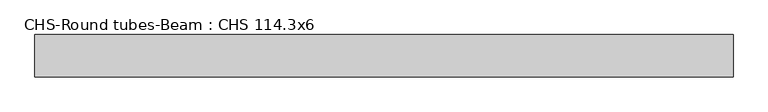
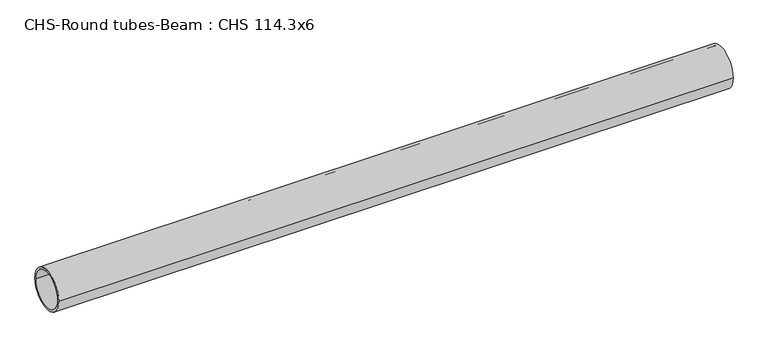
"""IFC4 building model written with IfcOpenShell, lengths in millimetres: beam geometry, CHS-Round tubes-Beam : CHS 114.3x6."""

import ifcopenshell
import ifcopenshell.guid

model = None  # the IFC model being written
_history = None  # IfcOwnerHistory: only IFC2X3 demands one
_inside = {}  # id of a spatial element -> (the spatial element, [elements in it])
_under = {}  # id of a project, library or spatial element -> (it, [spatial elements below it])
_declared = {}  # id of a project -> (the project, [libraries it declares])
_typed = {}  # id of a type object -> (the type object, [elements of that type])
_made_of = {}  # id of a material, layer set ... -> (it, [elements and type objects made of it])


def new_model(schema):
    """Start an empty IFC model of exactly this schema.

    Asked for "IFC4X3", IfcOpenShell would pick the latest addendum, in which some entities
    have other attributes; the version numbers below select the first issue.
    IFC2X3 requires an IfcOwnerHistory on every rooted entity: one is made here for all.
    """
    global model, _history
    if schema == "IFC4X3":
        model = ifcopenshell.file(schema_version=(4, 3, 0, 0))
    else:
        model = ifcopenshell.file(schema=schema)
    _inside.clear()
    _under.clear()
    _declared.clear()
    _typed.clear()
    _made_of.clear()
    _history = None
    if model.schema == "IFC2X3":
        org = make("IfcOrganization", Name="unknown")
        user = make(
            "IfcPersonAndOrganization",
            ThePerson=make("IfcPerson", FamilyName="unknown"),
            TheOrganization=org,
        )
        app = make(
            "IfcApplication",
            ApplicationDeveloper=org,
            Version="unknown",
            ApplicationFullName="unknown",
            ApplicationIdentifier="unknown",
        )
        _history = make(
            "IfcOwnerHistory",
            OwningUser=user,
            OwningApplication=app,
            ChangeAction="ADDED",
            CreationDate=0,
        )
    return model


def make(cls, **values):
    """One entity of the class cls with the attributes given. An attribute that is None is left unset."""
    return model.create_entity(
        cls, **{name: value for name, value in values.items() if value is not None}
    )


def rooted(cls, **values):
    """An entity with a GlobalId (a new one), such as an element, a storey or a relation."""
    return make(cls, GlobalId=ifcopenshell.guid.new(), OwnerHistory=_history, **values)


def si_unit(unit_type, name, prefix=None):
    """IfcSIUnit, for example si_unit("LENGTHUNIT", "METRE", prefix="MILLI")."""
    return make("IfcSIUnit", UnitType=unit_type, Prefix=prefix, Name=name)


def assignment(units):
    """IfcUnitAssignment: the units of a project."""
    return None if units is None else make("IfcUnitAssignment", Units=units)


def point(xyz):
    """IfcCartesianPoint."""
    return None if xyz is None else make("IfcCartesianPoint", Coordinates=xyz)


def direction(xyz):
    """IfcDirection."""
    return None if xyz is None else make("IfcDirection", DirectionRatios=xyz)


def frame(location, z_axis=None, x_axis=None):
    """IfcAxis2Placement3D, a coordinate frame: its origin and axes. An axis left out is left unset."""
    return make(
        "IfcAxis2Placement3D",
        Location=point(location),
        Axis=direction(z_axis),
        RefDirection=direction(x_axis),
    )


def frame_2d(location, x_axis=None):
    """IfcAxis2Placement2D, a coordinate frame in the plane: its origin and x axis."""
    return make(
        "IfcAxis2Placement2D", Location=point(location), RefDirection=direction(x_axis)
    )


def origin():
    """The frame at (0, 0, 0) with its axes left unset."""
    return frame((0.0, 0.0, 0.0))


def origin_2d():
    """The frame at (0, 0) in the plane with its x axis left unset."""
    return frame_2d((0.0, 0.0))


def place(relative_to, where):
    """IfcLocalPlacement: puts the frame where relative to a parent placement (None: the world)."""
    return make(
        "IfcLocalPlacement", PlacementRelTo=relative_to, RelativePlacement=where
    )


def context(
    kind, dimensions, precision=None, world=None, true_north=None, identifier=None
):
    """IfcGeometricRepresentationContext, for example the 3D "Model" context."""
    return make(
        "IfcGeometricRepresentationContext",
        ContextIdentifier=identifier,
        ContextType=kind,
        CoordinateSpaceDimension=dimensions,
        Precision=precision,
        WorldCoordinateSystem=world,
        TrueNorth=true_north,
    )


def project(units=None, contexts=None):
    """IfcProject with its units and contexts."""
    return rooted(
        "IfcProject",
        Name="project",
        RepresentationContexts=contexts,
        UnitsInContext=assignment(units),
    )


def spatial(cls, under=None, at=None, **own):
    """A site, building, storey or space (cls), placed at a placement, below another one or the project."""
    s = rooted(cls, ObjectPlacement=at, **own)
    if under is not None:
        _under.setdefault(under.id(), (under, []))[1].append(s)
    return s


def circle_curve(where, radius):
    """IfcCircle in the frame where."""
    return make("IfcCircle", Position=where, Radius=radius)


def trimmed(basis, trim1, trim2, sense, master):
    """IfcTrimmedCurve: the piece of a basis curve between two trims."""
    return make(
        "IfcTrimmedCurve",
        BasisCurve=basis,
        Trim1=trim1,
        Trim2=trim2,
        SenseAgreement=sense,
        MasterRepresentation=master,
    )


def segment(curve, same_sense, transition):
    """IfcCompositeCurveSegment."""
    return make(
        "IfcCompositeCurveSegment",
        Transition=transition,
        SameSense=same_sense,
        ParentCurve=curve,
    )


def composite_curve(segments, self_intersect=None):
    """IfcCompositeCurve: segments joined end to end."""
    return make("IfcCompositeCurve", Segments=segments, SelfIntersect=self_intersect)


def outline(outer, holes=None, kind="AREA"):
    """IfcArbitraryClosedProfileDef: a profile drawn as a closed curve; with holes, ...WithVoids."""
    if holes is None:
        return make("IfcArbitraryClosedProfileDef", ProfileType=kind, OuterCurve=outer)
    return make(
        "IfcArbitraryProfileDefWithVoids",
        ProfileType=kind,
        OuterCurve=outer,
        InnerCurves=holes,
    )


def extrude(swept, where, along, depth):
    """IfcExtrudedAreaSolid: the profile swept, set in the frame where, extruded along a direction by depth."""
    return make(
        "IfcExtrudedAreaSolid",
        SweptArea=swept,
        Position=where,
        ExtrudedDirection=direction(along),
        Depth=depth,
    )


def shape(context_of_items, identifier, shape_type, items):
    """IfcShapeRepresentation: the items that make up one representation, for example the "Body"."""
    return make(
        "IfcShapeRepresentation",
        ContextOfItems=context_of_items,
        RepresentationIdentifier=identifier,
        RepresentationType=shape_type,
        Items=items,
    )


def source(mapping_origin, context_of_items, identifier, shape_type, items):
    """IfcRepresentationMap: a shape defined once, which mapped items show again and again."""
    return make(
        "IfcRepresentationMap",
        MappingOrigin=mapping_origin,
        MappedRepresentation=shape(context_of_items, identifier, shape_type, items),
    )


def transform(
    local_origin,
    x_axis=None,
    y_axis=None,
    z_axis=None,
    scale=None,
    scale2=None,
    scale3=None,
    uniform=True,
):
    """IfcCartesianTransformationOperator3D, or its non-uniform kind. x_axis, y_axis, z_axis: its Axis1, 2, 3."""
    if uniform:
        return make(
            "IfcCartesianTransformationOperator3D",
            Axis1=direction(x_axis),
            Axis2=direction(y_axis),
            LocalOrigin=point(local_origin),
            Scale=scale,
            Axis3=direction(z_axis),
        )
    return make(
        "IfcCartesianTransformationOperator3DnonUniform",
        Axis1=direction(x_axis),
        Axis2=direction(y_axis),
        LocalOrigin=point(local_origin),
        Scale=scale,
        Axis3=direction(z_axis),
        Scale2=scale2,
        Scale3=scale3,
    )


def mapped(mapping_source, mapping_target):
    """IfcMappedItem: shows the shape of a source again, moved by a transform."""
    return make(
        "IfcMappedItem", MappingSource=mapping_source, MappingTarget=mapping_target
    )


def made_of(thing, what):
    """Note that an element or type object is made of a material, layer set ...; save() writes the relation."""
    if what is not None:
        _made_of.setdefault(what.id(), (what, []))[1].append(thing)
    return thing


def element(
    cls,
    number,
    at=None,
    inside=None,
    cuts=None,
    type_object=None,
    material=None,
    context=None,
    identifier="Body",
    shape_type=None,
    held_by="IfcProductDefinitionShape",
    body=None,
    shapes=None,
    **own,
):
    """One element of the class cls, such as IfcWall. Its Tag is "e" and its number.

    at: its placement. inside: the storey or other place that contains it. cuts: it is an
    opening in that element (IfcRelVoidsElement). A single representation is given by context,
    identifier, shape_type and body (its items); several are given by shapes. held_by: the class
    of the entity that holds the representations. save() writes the other relations.
    """
    e = rooted(cls, Tag="e%d" % number, ObjectPlacement=at, **own)
    if body is not None:
        shapes = [shape(context, identifier, shape_type, body)]
    if shapes is not None:
        e.Representation = make(held_by, Representations=shapes)
    if inside is not None:
        _inside.setdefault(inside.id(), (inside, []))[1].append(e)
    if cuts is not None:
        rooted(
            "IfcRelVoidsElement", RelatingBuildingElement=cuts, RelatedOpeningElement=e
        )
    if type_object is not None:
        _typed.setdefault(type_object.id(), (type_object, []))[1].append(e)
    return made_of(e, material)


def aggregate(whole, parts):
    """IfcRelAggregates: a whole, such as a stair, and the parts it consists of."""
    return rooted("IfcRelAggregates", RelatingObject=whole, RelatedObjects=parts)


def save(model, path):
    """Write the relations noted so far, then the file.

    IfcRelAggregates (storeys below a building ...), IfcRelContainedInSpatialStructure (elements
    in a storey), IfcRelDefinesByType, IfcRelAssociatesMaterial and IfcRelDeclares: one each for
    every whole, place, type object, material and project.
    """
    for whole, parts in _under.values():
        aggregate(whole, parts)
    for where, things in _inside.values():
        rooted(
            "IfcRelContainedInSpatialStructure",
            RelatedElements=things,
            RelatingStructure=where,
        )
    for kind, things in _typed.values():
        rooted("IfcRelDefinesByType", RelatedObjects=things, RelatingType=kind)
    for what, things in _made_of.values():
        rooted("IfcRelAssociatesMaterial", RelatedObjects=things, RelatingMaterial=what)
    for by, libraries in _declared.values():
        rooted("IfcRelDeclares", RelatingContext=by, RelatedDefinitions=libraries)
    model.write(path)


def chs_round_tubes_beam_chs_114_3x6_a3c75fcb(model_context):
    return source(origin(), model_context, "Body", "SweptSolid", [
        extrude(outline(composite_curve([segment(trimmed(circle_curve(origin_2d(), 57.15), [point((57.15, 0.0))], [point((-57.15, 0.0))], False, "CARTESIAN"), True, "CONTINUOUS"), segment(trimmed(circle_curve(origin_2d(), 57.15), [point((-57.15, 0.0))], [point((57.15, 0.0))], False, "CARTESIAN"), True, "CONTINUOUS")], self_intersect=False), holes=[composite_curve([segment(trimmed(circle_curve(origin_2d(), 51.15), [point((51.15, 0.0))], [point((-51.15, 0.0))], True, "CARTESIAN"), True, "CONTINUOUS"), segment(trimmed(circle_curve(origin_2d(), 51.15), [point((-51.15, 0.0))], [point((51.15, 0.0))], True, "CARTESIAN"), True, "CONTINUOUS")], self_intersect=False)]), frame((-944.3591273, 0.0, 0.0), z_axis=(1.0, 0.0, 0.0), x_axis=(0.0, 1.0, 0.0)), (0.0, 0.0, 1.0), 1874.527253),
    ])


if __name__ == "__main__":
    model = new_model("IFC4")
    model_context = context("Model", 3, world=origin())
    ifc_project = project(units=[si_unit("LENGTHUNIT", "METRE", prefix="MILLI")], contexts=[model_context])
    site = spatial("IfcSite", under=ifc_project)
    building = spatial("IfcBuilding", under=site)
    placement = place(None, origin())
    chs_round_tubes_beam_chs_114_3x6_shape = chs_round_tubes_beam_chs_114_3x6_a3c75fcb(model_context)
    element("IfcBeam", 1, ObjectType="CHS-Round tubes-Beam : CHS 114.3x6", at=placement, inside=building, context=model_context, shape_type="MappedRepresentation", body=[
        mapped(chs_round_tubes_beam_chs_114_3x6_shape, transform((0.0, 0.0, 0.0), x_axis=(1.0, 0.0, 0.0), y_axis=(0.0, 1.0, 0.0), z_axis=(0.0, 0.0, 1.0))),
    ])
    save(model, "model.ifc")
